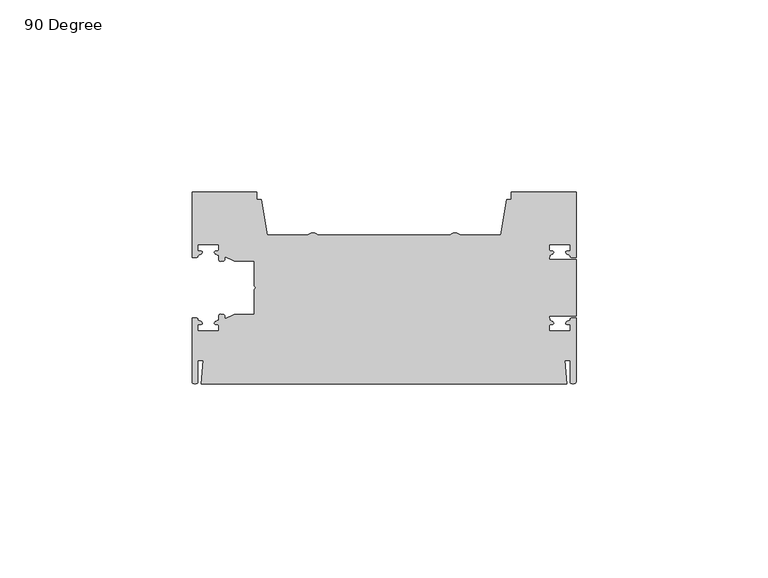
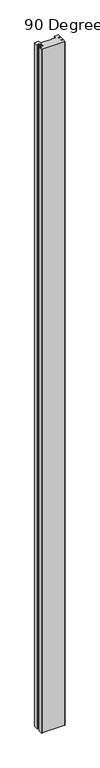
"""IFC4 building model written with IfcOpenShell, lengths in millimetres: proxy geometry, 90 Degree."""

from ifc_helpers import new_model, si_unit, frame, origin, place, context, project, spatial, circle_curve, source, transform, mapped, element, save
from ifc_brep_helpers import plane_surface, cylinder_surface, extruded_surface, spline_curve, advanced_brep


def proxy_90_degree_76600c31(model_context):
    return source(origin(), model_context, "Body", "AdvancedBrep", [
        advanced_brep(
        [(50.0, 25.001346, 3048.0), (33.1962748, 25.001346, 3048.0), (33.1962748, 22.9708269, 3048.0), (31.9352486, 22.9708269, 3048.0), (30.467107, 13.701346, 3048.0), (19.9330127, 13.701346, 3048.0), (17.0669873, 13.701346, 3048.0), (-17.0669873, 13.701346, 3048.0), (-19.9330127, 13.701346, 3048.0), (-30.467107, 13.701346, 3048.0), (-31.9352486, 22.9708269, 3048.0), (-33.1962748, 22.9708269, 3048.0), (-33.1962748, 25.001346, 3048.0), (-50.0, 25.001346, 3048.0), (-50.0, 7.901346, 3048.0), (-48.8, 7.901346, 3048.0), (-48.5, 9.851346, 3048.0), (-48.5, 11.301346, 3048.0), (-43.0, 11.301346, 3048.0), (-43.0, 9.851346, 3048.0), (-43.185195, 8.5344392, 3048.0), (-41.2154763, 8.0424674, 3048.0), (-39.2639781, 7.1324689, 3048.0), (-38.3342179, 6.926346, 3048.0), (-33.75, 6.926346, 3048.0), (-33.75, 0.6327168, 3048.0), (-33.75, -0.6327168, 3048.0), (-33.75, -6.926346, 3048.0), (-38.3342179, -6.926346, 3048.0), (-39.2639781, -7.1324689, 3048.0), (-41.2154763, -8.0424674, 3048.0), (-43.185195, -8.5344392, 3048.0), (-43.0, -9.851346, 3048.0), (-43.0, -11.301346, 3048.0), (-48.5, -11.301346, 3048.0), (-48.5, -9.851346, 3048.0), (-48.8, -7.901346, 3048.0), (-50.0, -7.901346, 3048.0), (-50.0, -24.501346, 3048.0), (-48.5, -24.701346, 3048.0), (-48.5, -18.9577681, 3048.0), (-47.098648, -18.9577681, 3048.0), (-47.6273926, -25.001346, 3048.0), (47.6273926, -25.001346, 3048.0), (47.098648, -18.9577681, 3048.0), (48.5, -18.9577681, 3048.0), (48.5, -24.701346, 3048.0), (50.0, -24.501346, 3048.0), (50.0, -7.901346, 3048.0), (48.8, -7.901346, 3048.0), (48.5, -9.851346, 3048.0), (48.5, -11.301346, 3048.0), (43.0, -11.301346, 3048.0), (43.0, -9.851346, 3048.0), (43.185195, -8.5344392, 3048.0), (43.0, -7.3845465, 3048.0), (50.0, -7.3845465, 3048.0), (50.0, 7.3845465, 3048.0), (43.0, 7.3845465, 3048.0), (43.185195, 8.5344392, 3048.0), (43.0, 9.851346, 3048.0), (43.0, 11.301346, 3048.0), (48.5, 11.301346, 3048.0), (48.5, 9.851346, 3048.0), (48.8, 7.901346, 3048.0), (50.0, 7.901346, 3048.0), (50.0, 25.001346, 0.0), (50.0, 7.901346, 0.0), (48.8, 7.901346, 0.0), (48.5, 9.851346, 0.0), (48.5, 11.301346, 0.0), (43.0, 11.301346, 0.0), (43.0, 9.851346, 0.0), (43.185195, 8.5344392, 0.0), (43.0, 7.3845465, 0.0), (50.0, 7.3845465, 0.0), (50.0, -7.3845465, 0.0), (43.0, -7.3845465, 0.0), (43.185195, -8.5344392, 0.0), (43.0, -9.851346, 0.0), (43.0, -11.301346, 0.0), (48.5, -11.301346, 0.0), (48.5, -9.851346, 0.0), (48.8, -7.901346, 0.0), (50.0, -7.901346, 0.0), (50.0, -24.501346, 0.0), (48.5, -24.701346, 0.0), (48.5, -18.9577681, 0.0), (47.098648, -18.9577681, 0.0), (47.6273926, -25.001346, 0.0), (-47.6273926, -25.001346, 0.0), (-47.098648, -18.9577681, 0.0), (-48.5, -18.9577681, 0.0), (-48.5, -24.701346, 0.0), (-50.0, -24.501346, 0.0), (-50.0, -7.901346, 0.0), (-48.8, -7.901346, 0.0), (-48.5, -9.851346, 0.0), (-48.5, -11.301346, 0.0), (-43.0, -11.301346, 0.0), (-43.0, -9.851346, 0.0), (-43.185195, -8.5344392, 0.0), (-41.2154763, -8.0424674, 0.0), (-39.2639781, -7.1324689, 0.0), (-38.3342179, -6.926346, 0.0), (-33.75, -6.926346, 0.0), (-33.75, -0.6327168, 0.0), (-33.75, 0.6327168, 0.0), (-33.75, 6.926346, 0.0), (-38.3342179, 6.926346, 0.0), (-39.2639781, 7.1324689, 0.0), (-41.2154763, 8.0424674, 0.0), (-43.185195, 8.5344392, 0.0), (-43.0, 9.851346, 0.0), (-43.0, 11.301346, 0.0), (-48.5, 11.301346, 0.0), (-48.5, 9.851346, 0.0), (-48.8, 7.901346, 0.0), (-50.0, 7.901346, 0.0), (-50.0, 25.001346, 0.0), (-33.1962748, 25.001346, 0.0), (-33.1962748, 22.9708269, 0.0), (-31.9352486, 22.9708269, 0.0), (-30.467107, 13.701346, 0.0), (-19.9330127, 13.701346, 0.0), (-17.0669873, 13.701346, 0.0), (17.0669873, 13.701346, 0.0), (19.9330127, 13.701346, 0.0), (30.467107, 13.701346, 0.0), (31.9352486, 22.9708269, 0.0), (33.1962748, 22.9708269, 0.0), (33.1962748, 25.001346, 0.0)],
        [
            (0, 1),
            (1, 2),
            (2, 3),
            (3, 4),
            (4, 5),
            (5, 6, spline_curve(3, [(19.9330127, 13.701346, 3048.0), (18.952688612, 14.482010326, 3048.0), (17.997346815, 14.482010326, 3048.0), (17.0669873, 13.701346, 3048.0)], [4, 4], [0.0, 0.006072054324959151])),
            (6, 7),
            (7, 8, spline_curve(3, [(-17.0669873, 13.701346, 3048.0), (-17.997346815, 14.482010326, 3048.0), (-18.952688612, 14.482010326, 3048.0), (-19.9330127, 13.701346, 3048.0)], [4, 4], [0.0, 0.006072054324959151])),
            (8, 9),
            (9, 10),
            (10, 11),
            (11, 12),
            (12, 13),
            (13, 14),
            (14, 15),
            (15, 16, spline_curve(3, [(-48.8, 7.901346, 3048.0), (-48.479332943, 7.901346, 3048.0), (-48.555448591, 8.211710623, 3048.0), (-48.379482035, 8.636739063, 3048.0), (-47.964231228, 8.600409346, 3048.0), (-47.326551938, 8.962412758, 3048.0), (-47.165809164, 9.457127825, 3048.0), (-47.850294419, 9.634672339, 3048.0), (-48.5, 9.460584296, 3048.0), (-48.5, 9.851346, 3048.0)], [4, 2, 2, 2, 4], [0.0, 0.002532303967645101, 0.006204567414043193, 0.010676560125552983, 0.014250554149769994])),
            (16, 17),
            (17, 18),
            (18, 19),
            (19, 20, spline_curve(3, [(-43.0, 9.851346, 3048.0), (-43.0, 9.450969221, 3048.0), (-43.638957401, 9.652690652, 3048.0), (-44.348132264, 9.380145163, 3048.0), (-44.257193579, 8.742814615, 3048.0), (-43.185195, 8.5344392, 3048.0)], [4, 2, 4], [0.0, 0.0033473160166240766, 0.007451069118864329])),
            (20, 21, spline_curve(3, [(-43.185195, 8.5344392, 3048.0), (-42.848603765, 8.377484129, 3048.0), (-43.049610674, 7.60991552, 3048.0), (-42.964814637, 6.784479785, 3048.0), (-42.574686522, 6.897326467, 3048.0), (-41.842679832, 6.976429878, 3048.0), (-41.500572297, 6.958500692, 3048.0), (-41.464969733, 7.61204267, 3048.0), (-41.660842777, 8.153509734, 3048.0), (-41.2154763, 8.0424674, 3048.0)], [4, 2, 2, 2, 4], [0.0, 0.003519757562551089, 0.007736778197306806, 0.011453101525460536, 0.0144651460148009])),
            (21, 22),
            (22, 23, circle_curve(frame((-38.3342179, 9.126346, 3048.0), z_axis=(0.0, 0.0, 1.0), x_axis=(0.0, -1.0, 0.0)), 2.2)),
            (23, 24),
            (24, 25),
            (25, 26, spline_curve(3, [(-33.75, 0.6327168, 3048.0), (-33.75, 0.347035284, 3048.0), (-33.438766776, 0.176328791, 3048.0), (-33.428516361, -0.143105225, 3048.0), (-33.75, -0.290923637, 3048.0), (-33.75, -0.6327168, 3048.0)], [4, 2, 4], [0.0, 0.0018632078204305373, 0.0037877800839590864])),
            (26, 27),
            (27, 28),
            (28, 29, circle_curve(frame((-38.3342179, -9.126346, 3048.0), z_axis=(0.0, 0.0, 1.0), x_axis=(0.0, -1.0, 0.0)), 2.2)),
            (29, 30),
            (30, 31, spline_curve(3, [(-41.2154763, -8.0424674, 3048.0), (-41.660842777, -8.153509734, 3048.0), (-41.464969733, -7.61204267, 3048.0), (-41.500572297, -6.958500692, 3048.0), (-41.842679832, -6.976429878, 3048.0), (-42.574686522, -6.897326467, 3048.0), (-42.964814637, -6.784479785, 3048.0), (-43.049610674, -7.60991552, 3048.0), (-42.848603765, -8.377484129, 3048.0), (-43.185195, -8.5344392, 3048.0)], [4, 2, 2, 2, 4], [0.0, 0.003012044489340364, 0.006728367817494094, 0.01094538845224981, 0.0144651460148009])),
            (31, 32, spline_curve(3, [(-43.185195, -8.5344392, 3048.0), (-44.257193579, -8.742814615, 3048.0), (-44.348132264, -9.380145163, 3048.0), (-43.638957401, -9.652690652, 3048.0), (-43.0, -9.450969221, 3048.0), (-43.0, -9.851346, 3048.0)], [4, 2, 4], [0.0, 0.004103753102240253, 0.007451069118864329])),
            (32, 33),
            (33, 34),
            (34, 35),
            (35, 36, spline_curve(3, [(-48.5, -9.851346, 3048.0), (-48.5, -9.460584296, 3048.0), (-47.850294419, -9.634672339, 3048.0), (-47.165809164, -9.457127825, 3048.0), (-47.326551938, -8.962412758, 3048.0), (-47.964231228, -8.600409346, 3048.0), (-48.379482035, -8.636739063, 3048.0), (-48.555448591, -8.211710623, 3048.0), (-48.479332943, -7.901346, 3048.0), (-48.8, -7.901346, 3048.0)], [4, 2, 2, 2, 4], [0.0, 0.003573994024217011, 0.0080459867357268, 0.011718250182124893, 0.014250554149769994])),
            (36, 37),
            (37, 38),
            (38, 39, spline_curve(3, [(-50.0, -24.501346, 3048.0), (-50.046499209, -25.166315666, 3048.0), (-48.5, -25.109765933, 3048.0), (-48.5, -24.701346, 3048.0)], [4, 4], [0.0, 0.002868051353515802])),
            (39, 40),
            (40, 41),
            (41, 42),
            (42, 43),
            (43, 44),
            (44, 45),
            (45, 46),
            (46, 47, spline_curve(3, [(48.5, -24.701346, 3048.0), (48.5, -25.109765933, 3048.0), (50.046499209, -25.166315666, 3048.0), (50.0, -24.501346, 3048.0)], [4, 4], [0.0, 0.002868051353515802])),
            (47, 48),
            (48, 49),
            (49, 50, spline_curve(3, [(48.8, -7.901346, 3048.0), (48.479332943, -7.901346, 3048.0), (48.555448591, -8.211710623, 3048.0), (48.379482035, -8.636739063, 3048.0), (47.964231228, -8.600409346, 3048.0), (47.326551938, -8.962412758, 3048.0), (47.165809164, -9.457127825, 3048.0), (47.850294419, -9.634672339, 3048.0), (48.5, -9.460584296, 3048.0), (48.5, -9.851346, 3048.0)], [4, 2, 2, 2, 4], [0.0, 0.002532303967645101, 0.006204567414043193, 0.010676560125552983, 0.014250554149769994])),
            (50, 51),
            (51, 52),
            (52, 53),
            (53, 54, spline_curve(3, [(43.0, -9.851346, 3048.0), (43.0, -9.450969221, 3048.0), (43.638957401, -9.652690652, 3048.0), (44.348132264, -9.380145163, 3048.0), (44.257193579, -8.742814615, 3048.0), (43.185195, -8.5344392, 3048.0)], [4, 2, 4], [0.0, 0.0033473160166240766, 0.007451069118864329])),
            (54, 55),
            (55, 56),
            (56, 57),
            (57, 58),
            (58, 59),
            (59, 60, spline_curve(3, [(43.185195, 8.5344392, 3048.0), (44.257193579, 8.742814615, 3048.0), (44.348132264, 9.380145163, 3048.0), (43.638957401, 9.652690652, 3048.0), (43.0, 9.450969221, 3048.0), (43.0, 9.851346, 3048.0)], [4, 2, 4], [0.0, 0.004103753102240253, 0.007451069118864329])),
            (60, 61),
            (61, 62),
            (62, 63),
            (63, 64, spline_curve(3, [(48.5, 9.851346, 3048.0), (48.5, 9.460584296, 3048.0), (47.850294419, 9.634672339, 3048.0), (47.165809164, 9.457127825, 3048.0), (47.326551938, 8.962412758, 3048.0), (47.964231228, 8.600409346, 3048.0), (48.379482035, 8.636739063, 3048.0), (48.555448591, 8.211710623, 3048.0), (48.479332943, 7.901346, 3048.0), (48.8, 7.901346, 3048.0)], [4, 2, 2, 2, 4], [0.0, 0.003573994024217011, 0.0080459867357268, 0.011718250182124893, 0.014250554149769994])),
            (64, 65),
            (65, 0),
            (66, 67),
            (67, 68),
            (68, 69, spline_curve(3, [(48.8, 7.901346, 0.0), (48.479332943, 7.901346, 0.0), (48.555448591, 8.211710623, 0.0), (48.379482035, 8.636739063, 0.0), (47.964231228, 8.600409346, 0.0), (47.326551938, 8.962412758, 0.0), (47.165809164, 9.457127825, 0.0), (47.850294419, 9.634672339, 0.0), (48.5, 9.460584296, 0.0), (48.5, 9.851346, 0.0)], [4, 2, 2, 2, 4], [0.0, 0.002532303967645101, 0.006204567414043193, 0.010676560125552983, 0.014250554149769994])),
            (69, 70),
            (70, 71),
            (71, 72),
            (72, 73, spline_curve(3, [(43.0, 9.851346, 0.0), (43.0, 9.450969221, 0.0), (43.638957401, 9.652690652, 0.0), (44.348132264, 9.380145163, 0.0), (44.257193579, 8.742814615, 0.0), (43.185195, 8.5344392, 0.0)], [4, 2, 4], [0.0, 0.0033473160166240766, 0.007451069118864329])),
            (73, 74),
            (74, 75),
            (75, 76),
            (76, 77),
            (77, 78),
            (78, 79, spline_curve(3, [(43.185195, -8.5344392, 0.0), (44.257193579, -8.742814615, 0.0), (44.348132264, -9.380145163, 0.0), (43.638957401, -9.652690652, 0.0), (43.0, -9.450969221, 0.0), (43.0, -9.851346, 0.0)], [4, 2, 4], [0.0, 0.004103753102240253, 0.007451069118864329])),
            (79, 80),
            (80, 81),
            (81, 82),
            (82, 83, spline_curve(3, [(48.5, -9.851346, 0.0), (48.5, -9.460584296, 0.0), (47.850294419, -9.634672339, 0.0), (47.165809164, -9.457127825, 0.0), (47.326551938, -8.962412758, 0.0), (47.964231228, -8.600409346, 0.0), (48.379482035, -8.636739063, 0.0), (48.555448591, -8.211710623, 0.0), (48.479332943, -7.901346, 0.0), (48.8, -7.901346, 0.0)], [4, 2, 2, 2, 4], [0.0, 0.003573994024217011, 0.0080459867357268, 0.011718250182124893, 0.014250554149769994])),
            (83, 84),
            (84, 85),
            (85, 86, spline_curve(3, [(50.0, -24.501346, 0.0), (50.046499209, -25.166315666, 0.0), (48.5, -25.109765933, 0.0), (48.5, -24.701346, 0.0)], [4, 4], [0.0, 0.002868051353515802])),
            (86, 87),
            (87, 88),
            (88, 89),
            (89, 90),
            (90, 91),
            (91, 92),
            (92, 93),
            (93, 94, spline_curve(3, [(-48.5, -24.701346, 0.0), (-48.5, -25.109765933, 0.0), (-50.046499209, -25.166315666, 0.0), (-50.0, -24.501346, 0.0)], [4, 4], [0.0, 0.002868051353515802])),
            (94, 95),
            (95, 96),
            (96, 97, spline_curve(3, [(-48.8, -7.901346, 0.0), (-48.479332943, -7.901346, 0.0), (-48.555448591, -8.211710623, 0.0), (-48.379482035, -8.636739063, 0.0), (-47.964231228, -8.600409346, 0.0), (-47.326551938, -8.962412758, 0.0), (-47.165809164, -9.457127825, 0.0), (-47.850294419, -9.634672339, 0.0), (-48.5, -9.460584296, 0.0), (-48.5, -9.851346, 0.0)], [4, 2, 2, 2, 4], [0.0, 0.002532303967645101, 0.006204567414043193, 0.010676560125552983, 0.014250554149769994])),
            (97, 98),
            (98, 99),
            (99, 100),
            (100, 101, spline_curve(3, [(-43.0, -9.851346, 0.0), (-43.0, -9.450969221, 0.0), (-43.638957401, -9.652690652, 0.0), (-44.348132264, -9.380145163, 0.0), (-44.257193579, -8.742814615, 0.0), (-43.185195, -8.5344392, 0.0)], [4, 2, 4], [0.0, 0.0033473160166240766, 0.007451069118864329])),
            (101, 102, spline_curve(3, [(-43.185195, -8.5344392, 0.0), (-42.848603765, -8.377484129, 0.0), (-43.049610674, -7.60991552, 0.0), (-42.964814637, -6.784479785, 0.0), (-42.574686522, -6.897326467, 0.0), (-41.842679832, -6.976429878, 0.0), (-41.500572297, -6.958500692, 0.0), (-41.464969733, -7.61204267, 0.0), (-41.660842777, -8.153509734, 0.0), (-41.2154763, -8.0424674, 0.0)], [4, 2, 2, 2, 4], [0.0, 0.003519757562551089, 0.007736778197306806, 0.011453101525460536, 0.0144651460148009])),
            (102, 103),
            (103, 104, circle_curve(frame((-38.3342179, -9.126346, 0.0), z_axis=(0.0, 0.0, -1.0), x_axis=(0.0, -1.0, 0.0)), 2.2)),
            (104, 105),
            (105, 106),
            (106, 107, spline_curve(3, [(-33.75, -0.6327168, 0.0), (-33.75, -0.290923637, 0.0), (-33.428516361, -0.143105225, 0.0), (-33.438766776, 0.176328791, 0.0), (-33.75, 0.347035284, 0.0), (-33.75, 0.6327168, 0.0)], [4, 2, 4], [0.0, 0.001924572263528549, 0.0037877800839590864])),
            (107, 108),
            (108, 109),
            (109, 110, circle_curve(frame((-38.3342179, 9.126346, 0.0), z_axis=(0.0, 0.0, -1.0), x_axis=(0.0, -1.0, 0.0)), 2.2)),
            (110, 111),
            (111, 112, spline_curve(3, [(-41.2154763, 8.0424674, 0.0), (-41.660842777, 8.153509734, 0.0), (-41.464969733, 7.61204267, 0.0), (-41.500572297, 6.958500692, 0.0), (-41.842679832, 6.976429878, 0.0), (-42.574686522, 6.897326467, 0.0), (-42.964814637, 6.784479785, 0.0), (-43.049610674, 7.60991552, 0.0), (-42.848603765, 8.377484129, 0.0), (-43.185195, 8.5344392, 0.0)], [4, 2, 2, 2, 4], [0.0, 0.0030120444893403635, 0.006728367817494094, 0.01094538845224981, 0.0144651460148009])),
            (112, 113, spline_curve(3, [(-43.185195, 8.5344392, 0.0), (-44.257193579, 8.742814615, 0.0), (-44.348132264, 9.380145163, 0.0), (-43.638957401, 9.652690652, 0.0), (-43.0, 9.450969221, 0.0), (-43.0, 9.851346, 0.0)], [4, 2, 4], [0.0, 0.004103753102240253, 0.007451069118864329])),
            (113, 114),
            (114, 115),
            (115, 116),
            (116, 117, spline_curve(3, [(-48.5, 9.851346, 0.0), (-48.5, 9.460584296, 0.0), (-47.850294419, 9.634672339, 0.0), (-47.165809164, 9.457127825, 0.0), (-47.326551938, 8.962412758, 0.0), (-47.964231228, 8.600409346, 0.0), (-48.379482035, 8.636739063, 0.0), (-48.555448591, 8.211710623, 0.0), (-48.479332943, 7.901346, 0.0), (-48.8, 7.901346, 0.0)], [4, 2, 2, 2, 4], [0.0, 0.003573994024217011, 0.0080459867357268, 0.011718250182124893, 0.014250554149769994])),
            (117, 118),
            (118, 119),
            (119, 120),
            (120, 121),
            (121, 122),
            (122, 123),
            (123, 124),
            (124, 125, spline_curve(3, [(-19.9330127, 13.701346, 0.0), (-18.952688612, 14.482010326, 0.0), (-17.997346815, 14.482010326, 0.0), (-17.0669873, 13.701346, 0.0)], [4, 4], [0.0, 0.006072054324959151])),
            (125, 126),
            (126, 127, spline_curve(3, [(17.0669873, 13.701346, 0.0), (17.997346815, 14.482010326, 0.0), (18.952688612, 14.482010326, 0.0), (19.9330127, 13.701346, 0.0)], [4, 4], [0.0, 0.006072054324959151])),
            (127, 128),
            (128, 129),
            (129, 130),
            (130, 131),
            (131, 66),
            (0, 66),
            (131, 1),
            (130, 2),
            (129, 3),
            (128, 4),
            (127, 5),
            (126, 6),
            (125, 7),
            (124, 8),
            (123, 9),
            (122, 10),
            (121, 11),
            (120, 12),
            (119, 13),
            (118, 14),
            (117, 15),
            (116, 16),
            (115, 17),
            (114, 18),
            (113, 19),
            (112, 20),
            (111, 21),
            (110, 22),
            (109, 23),
            (108, 24),
            (107, 25),
            (106, 26),
            (105, 27),
            (104, 28),
            (103, 29),
            (102, 30),
            (101, 31),
            (100, 32),
            (99, 33),
            (98, 34),
            (97, 35),
            (96, 36),
            (95, 37),
            (94, 38),
            (93, 39),
            (92, 40),
            (91, 41),
            (90, 42),
            (89, 43),
            (88, 44),
            (87, 45),
            (86, 46),
            (85, 47),
            (84, 48),
            (83, 49),
            (82, 50),
            (81, 51),
            (80, 52),
            (79, 53),
            (78, 54),
            (77, 55),
            (76, 56),
            (75, 57),
            (74, 58),
            (73, 59),
            (72, 60),
            (71, 61),
            (70, 62),
            (69, 63),
            (68, 64),
            (67, 65),
        ],
        [
            plane_surface(frame((0.0, 0.0, 3048.0), z_axis=(0.0, 0.0, 1.0), x_axis=(0.0, -1.0, 0.0))),
            plane_surface(frame((0.0, 0.0, 0.0), z_axis=(0.0, 0.0, -1.0), x_axis=(0.0, -1.0, 0.0))),
            plane_surface(frame((50.0, 25.001346, 3048.0), z_axis=(0.0, 1.0, 0.0), x_axis=(0.0, 0.0, -1.0))),
            plane_surface(frame((33.1962748, 25.001346, 3048.0), z_axis=(-1.0, 0.0, 0.0), x_axis=(0.0, 0.0, -1.0))),
            plane_surface(frame((33.1962748, 22.9708269, 3048.0), z_axis=(0.0, 1.0, 0.0), x_axis=(0.0, 0.0, -1.0))),
            plane_surface(frame((31.9352486, 22.9708269, 3048.0), z_axis=(-0.9876883405952751, 0.15643446503936398, 0.0), x_axis=(0.0, 0.0, -1.0))),
            plane_surface(frame((30.467107, 13.701346, 3048.0), z_axis=(0.0, 1.0, 0.0), x_axis=(0.0, 0.0, -1.0))),
            extruded_surface(spline_curve(3, [(19.9330127, 13.701346, 0.0), (18.952688612, 14.482010326, 0.0), (17.997346815, 14.482010326, 0.0), (17.0669873, 13.701346, 0.0)], [4, 4], [0.0, 0.006072054324959151]), (0.0, 0.0, 3048.0), 3048.0),
            plane_surface(frame((0.0, 13.701346, 3048.0), z_axis=(0.0, 1.0, 0.0), x_axis=(0.0, 0.0, -1.0))),
            extruded_surface(spline_curve(3, [(-17.0669873, 13.701346, 0.0), (-17.997346815, 14.482010326, 0.0), (-18.952688612, 14.482010326, 0.0), (-19.9330127, 13.701346, 0.0)], [4, 4], [0.0, 0.006072054324959151]), (0.0, 0.0, 3048.0), 3048.0),
            plane_surface(frame((-19.9330127, 13.701346, 3048.0), z_axis=(0.0, 1.0, 0.0), x_axis=(0.0, 0.0, -1.0))),
            plane_surface(frame((-30.467107, 13.701346, 3048.0), z_axis=(0.987688340595275, 0.15643446503936442, 0.0), x_axis=(0.0, 0.0, -1.0))),
            plane_surface(frame((-31.9352486, 22.9708269, 3048.0), z_axis=(0.0, 1.0, 0.0), x_axis=(0.0, 0.0, -1.0))),
            plane_surface(frame((-33.1962748, 22.9708269, 3048.0), z_axis=(1.0, 0.0, 0.0), x_axis=(0.0, 0.0, -1.0))),
            plane_surface(frame((-33.1962748, 25.001346, 3048.0), z_axis=(0.0, 1.0, 0.0), x_axis=(0.0, 0.0, -1.0))),
            plane_surface(frame((-50.0, 25.001346, 3048.0), z_axis=(-1.0, 0.0, 0.0), x_axis=(0.0, 0.0, -1.0))),
            plane_surface(frame((-50.0, 7.901346, 3048.0), z_axis=(0.0, -1.0, 0.0), x_axis=(0.0, 0.0, -1.0))),
            extruded_surface(spline_curve(3, [(-48.8, 7.901346, 0.0), (-48.479332943, 7.901346, 0.0), (-48.555448591, 8.211710623, 0.0), (-48.379482035, 8.636739063, 0.0), (-47.964231228, 8.600409346, 0.0), (-47.326551938, 8.962412758, 0.0), (-47.165809164, 9.457127825, 0.0), (-47.850294419, 9.634672339, 0.0), (-48.5, 9.460584296, 0.0), (-48.5, 9.851346, 0.0)], [4, 2, 2, 2, 4], [0.0, 0.002532303967645101, 0.006204567414043193, 0.010676560125552983, 0.014250554149769994]), (0.0, 0.0, 3048.0), 3048.0),
            plane_surface(frame((-48.5, 9.851346, 3048.0), z_axis=(1.0, 0.0, 0.0), x_axis=(0.0, 0.0, -1.0))),
            plane_surface(frame((-48.5, 11.301346, 3048.0), z_axis=(0.0, -1.0, 0.0), x_axis=(0.0, 0.0, -1.0))),
            plane_surface(frame((-43.0, 11.301346, 3048.0), z_axis=(-1.0, 0.0, 0.0), x_axis=(0.0, 0.0, -1.0))),
            extruded_surface(spline_curve(3, [(-43.0, 9.851346, 0.0), (-43.0, 9.450969221, 0.0), (-43.638957401, 9.652690652, 0.0), (-44.348132264, 9.380145163, 0.0), (-44.257193579, 8.742814615, 0.0), (-43.185195, 8.5344392, 0.0)], [4, 2, 4], [0.0, 0.0033473160166240766, 0.007451069118864329]), (0.0, 0.0, 3048.0), 3048.0),
            extruded_surface(spline_curve(3, [(-43.185195, 8.5344392, 0.0), (-42.848603765, 8.377484129, 0.0), (-43.049610674, 7.60991552, 0.0), (-42.964814637, 6.784479785, 0.0), (-42.574686522, 6.897326467, 0.0), (-41.842679832, 6.976429878, 0.0), (-41.500572297, 6.958500692, 0.0), (-41.464969733, 7.61204267, 0.0), (-41.660842777, 8.153509734, 0.0), (-41.2154763, 8.0424674, 0.0)], [4, 2, 2, 2, 4], [0.0, 0.003519757562551089, 0.007736778197306806, 0.011453101525460536, 0.0144651460148009]), (0.0, 0.0, 3048.0), 3048.0),
            plane_surface(frame((-41.2154763, 8.0424674, 3048.0), z_axis=(-0.4226182617267624, -0.906307787043149, 0.0), x_axis=(0.0, 0.0, -1.0))),
            cylinder_surface(frame((-38.3342179, 9.126346, 3048.0), z_axis=(0.0, 0.0, 1.0), x_axis=(0.0, -1.0, 0.0)), 2.2),
            plane_surface(frame((-38.3342179, 6.926346, 3048.0), z_axis=(0.0, -1.0, 0.0), x_axis=(0.0, 0.0, -1.0))),
            plane_surface(frame((-33.75, 6.926346, 3048.0), z_axis=(-1.0, 0.0, 0.0), x_axis=(0.0, 0.0, -1.0))),
            extruded_surface(spline_curve(3, [(-33.75, 0.6327168, 0.0), (-33.75, 0.347035284, 0.0), (-33.438766776, 0.176328791, 0.0), (-33.428516361, -0.143105225, 0.0), (-33.75, -0.290923637, 0.0), (-33.75, -0.6327168, 0.0)], [4, 2, 4], [0.0, 0.0018632078204305373, 0.0037877800839590864]), (0.0, 0.0, 3048.0), 3048.0),
            plane_surface(frame((-33.75, -0.6327168, 3048.0), z_axis=(-1.0, 0.0, 0.0), x_axis=(0.0, 0.0, -1.0))),
            plane_surface(frame((-33.75, -6.926346, 3048.0), z_axis=(0.0, 1.0, 0.0), x_axis=(0.0, 0.0, -1.0))),
            cylinder_surface(frame((-38.3342179, -9.126346, 3048.0), z_axis=(0.0, 0.0, 1.0), x_axis=(0.0, -1.0, 0.0)), 2.2),
            plane_surface(frame((-39.2639781, -7.1324689, 3048.0), z_axis=(-0.42261826172676503, 0.9063077870431477, 0.0), x_axis=(0.0, 0.0, -1.0))),
            extruded_surface(spline_curve(3, [(-41.2154763, -8.0424674, 0.0), (-41.660842777, -8.153509734, 0.0), (-41.464969733, -7.61204267, 0.0), (-41.500572297, -6.958500692, 0.0), (-41.842679832, -6.976429878, 0.0), (-42.574686522, -6.897326467, 0.0), (-42.964814637, -6.784479785, 0.0), (-43.049610674, -7.60991552, 0.0), (-42.848603765, -8.377484129, 0.0), (-43.185195, -8.5344392, 0.0)], [4, 2, 2, 2, 4], [0.0, 0.003012044489340364, 0.006728367817494094, 0.01094538845224981, 0.0144651460148009]), (0.0, 0.0, 3048.0), 3048.0),
            extruded_surface(spline_curve(3, [(-43.185195, -8.5344392, 0.0), (-44.257193579, -8.742814615, 0.0), (-44.348132264, -9.380145163, 0.0), (-43.638957401, -9.652690652, 0.0), (-43.0, -9.450969221, 0.0), (-43.0, -9.851346, 0.0)], [4, 2, 4], [0.0, 0.004103753102240253, 0.007451069118864329]), (0.0, 0.0, 3048.0), 3048.0),
            plane_surface(frame((-43.0, -9.851346, 3048.0), z_axis=(-1.0, 0.0, 0.0), x_axis=(0.0, 0.0, -1.0))),
            plane_surface(frame((-43.0, -11.301346, 3048.0), z_axis=(0.0, 1.0, 0.0), x_axis=(0.0, 0.0, -1.0))),
            plane_surface(frame((-48.5, -11.301346, 3048.0), z_axis=(1.0, 0.0, 0.0), x_axis=(0.0, 0.0, -1.0))),
            extruded_surface(spline_curve(3, [(-48.5, -9.851346, 0.0), (-48.5, -9.460584296, 0.0), (-47.850294419, -9.634672339, 0.0), (-47.165809164, -9.457127825, 0.0), (-47.326551938, -8.962412758, 0.0), (-47.964231228, -8.600409346, 0.0), (-48.379482035, -8.636739063, 0.0), (-48.555448591, -8.211710623, 0.0), (-48.479332943, -7.901346, 0.0), (-48.8, -7.901346, 0.0)], [4, 2, 2, 2, 4], [0.0, 0.003573994024217011, 0.0080459867357268, 0.011718250182124893, 0.014250554149769994]), (0.0, 0.0, 3048.0), 3048.0),
            plane_surface(frame((-48.8, -7.901346, 3048.0), z_axis=(0.0, 1.0, 0.0), x_axis=(0.0, 0.0, -1.0))),
            plane_surface(frame((-50.0, -7.901346, 3048.0), z_axis=(-1.0, 0.0, 0.0), x_axis=(0.0, 0.0, -1.0))),
            extruded_surface(spline_curve(3, [(-50.0, -24.501346, 0.0), (-50.046499209, -25.166315666, 0.0), (-48.5, -25.109765933, 0.0), (-48.5, -24.701346, 0.0)], [4, 4], [0.0, 0.002868051353515802]), (0.0, 0.0, 3048.0), 3048.0),
            plane_surface(frame((-48.5, -24.701346, 3048.0), z_axis=(1.0, 0.0, 0.0), x_axis=(0.0, 0.0, -1.0))),
            plane_surface(frame((-48.5, -18.9577681, 3048.0), z_axis=(0.0, -1.0, 0.0), x_axis=(0.0, 0.0, -1.0))),
            plane_surface(frame((-47.098648, -18.9577681, 3048.0), z_axis=(-0.996194698091632, 0.08715574274895688, 0.0), x_axis=(0.0, 0.0, -1.0))),
            plane_surface(frame((-47.6273926, -25.001346, 3048.0), z_axis=(0.0, -1.0, 0.0), x_axis=(0.0, 0.0, -1.0))),
            plane_surface(frame((47.6273926, -25.001346, 3048.0), z_axis=(0.9961946980916324, 0.08715574274895109, 0.0), x_axis=(0.0, 0.0, -1.0))),
            plane_surface(frame((47.098648, -18.9577681, 3048.0), z_axis=(0.0, -1.0, 0.0), x_axis=(0.0, 0.0, -1.0))),
            plane_surface(frame((48.5, -18.9577681, 3048.0), z_axis=(-1.0, 0.0, 0.0), x_axis=(0.0, 0.0, -1.0))),
            extruded_surface(spline_curve(3, [(48.5, -24.701346, 0.0), (48.5, -25.109765933, 0.0), (50.046499209, -25.166315666, 0.0), (50.0, -24.501346, 0.0)], [4, 4], [0.0, 0.002868051353515802]), (0.0, 0.0, 3048.0), 3048.0),
            plane_surface(frame((50.0, -24.501346, 3048.0), z_axis=(1.0, 0.0, 0.0), x_axis=(0.0, 0.0, -1.0))),
            plane_surface(frame((50.0, -7.901346, 3048.0), z_axis=(0.0, 1.0, 0.0), x_axis=(0.0, 0.0, -1.0))),
            extruded_surface(spline_curve(3, [(48.8, -7.901346, 0.0), (48.479332943, -7.901346, 0.0), (48.555448591, -8.211710623, 0.0), (48.379482035, -8.636739063, 0.0), (47.964231228, -8.600409346, 0.0), (47.326551938, -8.962412758, 0.0), (47.165809164, -9.457127825, 0.0), (47.850294419, -9.634672339, 0.0), (48.5, -9.460584296, 0.0), (48.5, -9.851346, 0.0)], [4, 2, 2, 2, 4], [0.0, 0.002532303967645101, 0.006204567414043193, 0.010676560125552983, 0.014250554149769994]), (0.0, 0.0, 3048.0), 3048.0),
            plane_surface(frame((48.5, -9.851346, 3048.0), z_axis=(-1.0, 0.0, 0.0), x_axis=(0.0, 0.0, -1.0))),
            plane_surface(frame((48.5, -11.301346, 3048.0), z_axis=(0.0, 1.0, 0.0), x_axis=(0.0, 0.0, -1.0))),
            plane_surface(frame((43.0, -11.301346, 3048.0), z_axis=(1.0, 0.0, 0.0), x_axis=(0.0, 0.0, -1.0))),
            extruded_surface(spline_curve(3, [(43.0, -9.851346, 0.0), (43.0, -9.450969221, 0.0), (43.638957401, -9.652690652, 0.0), (44.348132264, -9.380145163, 0.0), (44.257193579, -8.742814615, 0.0), (43.185195, -8.5344392, 0.0)], [4, 2, 4], [0.0, 0.0033473160166240766, 0.007451069118864329]), (0.0, 0.0, 3048.0), 3048.0),
            plane_surface(frame((43.185195, -8.5344392, 3048.0), z_axis=(0.9872777514519191, 0.15900516182829655, 0.0), x_axis=(0.0, 0.0, -1.0))),
            plane_surface(frame((43.0, -7.3845465, 3048.0), z_axis=(0.0, -1.0, 0.0), x_axis=(0.0, 0.0, -1.0))),
            plane_surface(frame((50.0, -7.3845465, 3048.0), z_axis=(1.0, 0.0, 0.0), x_axis=(0.0, 0.0, -1.0))),
            plane_surface(frame((50.0, 7.3845465, 3048.0), z_axis=(0.0, 1.0, 0.0), x_axis=(0.0, 0.0, -1.0))),
            plane_surface(frame((43.0, 7.3845465, 3048.0), z_axis=(0.9872777514519189, -0.15900516182829785, 0.0), x_axis=(0.0, 0.0, -1.0))),
            extruded_surface(spline_curve(3, [(43.185195, 8.5344392, 0.0), (44.257193579, 8.742814615, 0.0), (44.348132264, 9.380145163, 0.0), (43.638957401, 9.652690652, 0.0), (43.0, 9.450969221, 0.0), (43.0, 9.851346, 0.0)], [4, 2, 4], [0.0, 0.004103753102240253, 0.007451069118864329]), (0.0, 0.0, 3048.0), 3048.0),
            plane_surface(frame((43.0, 9.851346, 3048.0), z_axis=(1.0, 0.0, 0.0), x_axis=(0.0, 0.0, -1.0))),
            plane_surface(frame((43.0, 11.301346, 3048.0), z_axis=(0.0, -1.0, 0.0), x_axis=(0.0, 0.0, -1.0))),
            plane_surface(frame((48.5, 11.301346, 3048.0), z_axis=(-1.0, 0.0, 0.0), x_axis=(0.0, 0.0, -1.0))),
            extruded_surface(spline_curve(3, [(48.5, 9.851346, 0.0), (48.5, 9.460584296, 0.0), (47.850294419, 9.634672339, 0.0), (47.165809164, 9.457127825, 0.0), (47.326551938, 8.962412758, 0.0), (47.964231228, 8.600409346, 0.0), (48.379482035, 8.636739063, 0.0), (48.555448591, 8.211710623, 0.0), (48.479332943, 7.901346, 0.0), (48.8, 7.901346, 0.0)], [4, 2, 2, 2, 4], [0.0, 0.003573994024217011, 0.0080459867357268, 0.011718250182124893, 0.014250554149769994]), (0.0, 0.0, 3048.0), 3048.0),
            plane_surface(frame((48.8, 7.901346, 3048.0), z_axis=(0.0, -1.0, 0.0), x_axis=(0.0, 0.0, -1.0))),
            plane_surface(frame((50.0, 7.901346, 3048.0), z_axis=(1.0, 0.0, 0.0), x_axis=(0.0, 0.0, -1.0))),
        ],
        [
            (0, [[1, 2, 3, 4, 5, 6, 7, 8, 9, 10, 11, 12, 13, 14, 15, 16, 17, 18, 19, 20, 21, 22, 23, 24, 25, 26, 27, 28, 29, 30, 31, 32, 33, 34, 35, 36, 37, 38, 39, 40, 41, 42, 43, 44, 45, 46, 47, 48, 49, 50, 51, 52, 53, 54, 55, 56, 57, 58, 59, 60, 61, 62, 63, 64, 65, 66]]),
            (1, [[67, 68, 69, 70, 71, 72, 73, 74, 75, 76, 77, 78, 79, 80, 81, 82, 83, 84, 85, 86, 87, 88, 89, 90, 91, 92, 93, 94, 95, 96, 97, 98, 99, 100, 101, 102, 103, 104, 105, 106, 107, 108, 109, 110, 111, 112, 113, 114, 115, 116, 117, 118, 119, 120, 121, 122, 123, 124, 125, 126, 127, 128, 129, 130, 131, 132]]),
            (2, [[-1, 133, -132, 134]]),
            (3, [[-2, -134, -131, 135]]),
            (4, [[-3, -135, -130, 136]]),
            (5, [[-4, -136, -129, 137]]),
            (6, [[-5, -137, -128, 138]]),
            (7, [[-6, -138, -127, 139]]),
            (8, [[-139, -126, 140, -7]]),
            (9, [[-8, -140, -125, 141]]),
            (10, [[-9, -141, -124, 142]]),
            (11, [[-10, -142, -123, 143]]),
            (12, [[-11, -143, -122, 144]]),
            (13, [[-12, -144, -121, 145]]),
            (14, [[-13, -145, -120, 146]]),
            (15, [[-14, -146, -119, 147]]),
            (16, [[-15, -147, -118, 148]]),
            (17, [[-16, -148, -117, 149]]),
            (18, [[-17, -149, -116, 150]]),
            (19, [[-18, -150, -115, 151]]),
            (20, [[-19, -151, -114, 152]]),
            (21, [[-20, -152, -113, 153]]),
            (22, [[-21, -153, -112, 154]]),
            (23, [[-22, -154, -111, 155]]),
            (24, [[-23, -155, -110, 156]]),
            (25, [[-24, -156, -109, 157]]),
            (26, [[-25, -157, -108, 158]]),
            (27, [[-26, -158, -107, 159]]),
            (28, [[-27, -159, -106, 160]]),
            (29, [[-28, -160, -105, 161]]),
            (30, [[-29, -161, -104, 162]]),
            (31, [[-30, -162, -103, 163]]),
            (32, [[-31, -163, -102, 164]]),
            (33, [[-32, -164, -101, 165]]),
            (34, [[-33, -165, -100, 166]]),
            (35, [[-34, -166, -99, 167]]),
            (36, [[-35, -167, -98, 168]]),
            (37, [[-36, -168, -97, 169]]),
            (38, [[-37, -169, -96, 170]]),
            (39, [[-38, -170, -95, 171]]),
            (40, [[-39, -171, -94, 172]]),
            (41, [[-40, -172, -93, 173]]),
            (42, [[-41, -173, -92, 174]]),
            (43, [[-42, -174, -91, 175]]),
            (44, [[-43, -175, -90, 176]]),
            (45, [[-44, -176, -89, 177]]),
            (46, [[-45, -177, -88, 178]]),
            (47, [[-46, -178, -87, 179]]),
            (48, [[-47, -179, -86, 180]]),
            (49, [[-48, -180, -85, 181]]),
            (50, [[-49, -181, -84, 182]]),
            (51, [[-50, -182, -83, 183]]),
            (52, [[-51, -183, -82, 184]]),
            (53, [[-52, -184, -81, 185]]),
            (54, [[-53, -185, -80, 186]]),
            (55, [[-54, -186, -79, 187]]),
            (56, [[-55, -187, -78, 188]]),
            (57, [[-56, -188, -77, 189]]),
            (58, [[-57, -189, -76, 190]]),
            (59, [[-58, -190, -75, 191]]),
            (60, [[-59, -191, -74, 192]]),
            (61, [[-60, -192, -73, 193]]),
            (62, [[-61, -193, -72, 194]]),
            (63, [[-62, -194, -71, 195]]),
            (64, [[-63, -195, -70, 196]]),
            (65, [[-64, -196, -69, 197]]),
            (66, [[-65, -197, -68, 198]]),
            (67, [[-66, -198, -67, -133]]),
        ],
    ),
    ])


if __name__ == "__main__":
    model = new_model("IFC4")
    model_context = context("Model", 3, world=origin())
    ifc_project = project(units=[si_unit("LENGTHUNIT", "METRE", prefix="MILLI")], contexts=[model_context])
    site = spatial("IfcSite", under=ifc_project)
    building = spatial("IfcBuilding", under=site)
    placement = place(None, origin())
    proxy_90_degree_shape = proxy_90_degree_76600c31(model_context)
    element("IfcBuildingElementProxy", 1, Name="90 Degree", ObjectType="90 Degree", at=placement, inside=building, context=model_context, shape_type="MappedRepresentation", body=[
        mapped(proxy_90_degree_shape, transform((0.0, 0.0, 0.0), x_axis=(1.0, 0.0, 0.0), y_axis=(0.0, 1.0, 0.0), z_axis=(0.0, 0.0, 1.0))),
    ])
    save(model, "model.ifc")
